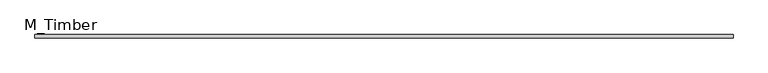
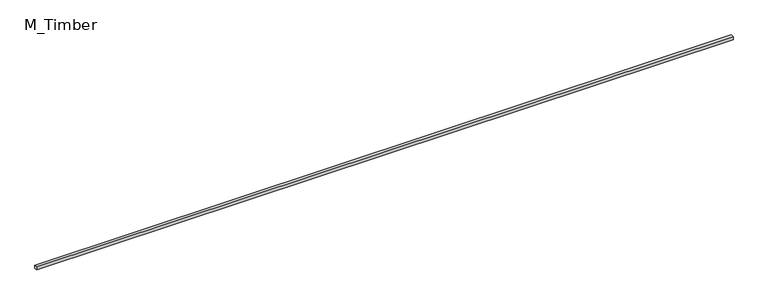
"""IFC4 building model written with IfcOpenShell, lengths in millimetres: beam geometry, M_Timber."""

from ifc_helpers import new_model, si_unit, frame, origin, place, context, project, spatial, polyline, outline, extrude, source, transform, mapped, element, save


def m_timber_dc637e1c(model_context):
    return source(origin(), model_context, "Body", "SweptSolid", [
        extrude(outline(polyline([(6523.0398837, 30.0), (6523.0398837, -30.0), (-6523.0398837, -30.0), (-6523.0398837, 30.0), (6523.0398837, 30.0)])), frame((0.0, 0.0, -30.0), z_axis=(0.0, 0.0, 1.0), x_axis=(1.0, 0.0, 0.0)), (0.0, 0.0, 1.0), 60.0),
    ])


if __name__ == "__main__":
    model = new_model("IFC4")
    model_context = context("Model", 3, world=origin())
    ifc_project = project(units=[si_unit("LENGTHUNIT", "METRE", prefix="MILLI")], contexts=[model_context])
    site = spatial("IfcSite", under=ifc_project)
    building = spatial("IfcBuilding", under=site)
    placement = place(None, origin())
    m_timber_shape = m_timber_dc637e1c(model_context)
    element("IfcBeam", 1, ObjectType="M_Timber", at=placement, inside=building, context=model_context, shape_type="MappedRepresentation", body=[
        mapped(m_timber_shape, transform((0.0, 0.0, 0.0), x_axis=(1.0, 0.0, 0.0), y_axis=(0.0, 1.0, 0.0), z_axis=(0.0, 0.0, 1.0))),
    ])
    save(model, "model.ifc")
